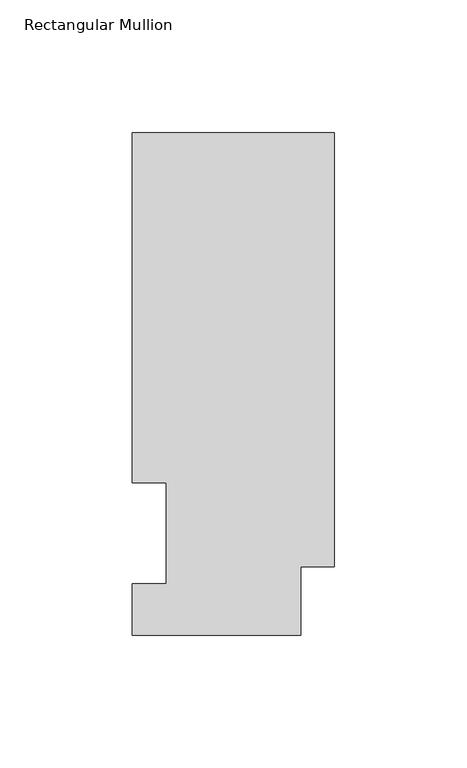
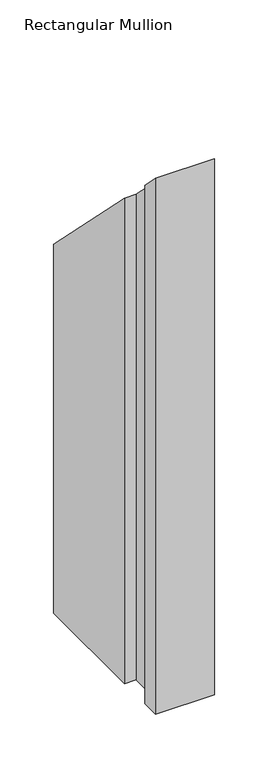
"""IFC4 building model written with IfcOpenShell, lengths in millimetres: member geometry, Rectangular Mullion."""

import ifcopenshell
import ifcopenshell.guid

model = None  # the IFC model being written
_history = None  # IfcOwnerHistory: only IFC2X3 demands one
_inside = {}  # id of a spatial element -> (the spatial element, [elements in it])
_under = {}  # id of a project, library or spatial element -> (it, [spatial elements below it])
_declared = {}  # id of a project -> (the project, [libraries it declares])
_typed = {}  # id of a type object -> (the type object, [elements of that type])
_made_of = {}  # id of a material, layer set ... -> (it, [elements and type objects made of it])


def new_model(schema):
    """Start an empty IFC model of exactly this schema.

    Asked for "IFC4X3", IfcOpenShell would pick the latest addendum, in which some entities
    have other attributes; the version numbers below select the first issue.
    IFC2X3 requires an IfcOwnerHistory on every rooted entity: one is made here for all.
    """
    global model, _history
    if schema == "IFC4X3":
        model = ifcopenshell.file(schema_version=(4, 3, 0, 0))
    else:
        model = ifcopenshell.file(schema=schema)
    _inside.clear()
    _under.clear()
    _declared.clear()
    _typed.clear()
    _made_of.clear()
    _history = None
    if model.schema == "IFC2X3":
        org = make("IfcOrganization", Name="unknown")
        user = make(
            "IfcPersonAndOrganization",
            ThePerson=make("IfcPerson", FamilyName="unknown"),
            TheOrganization=org,
        )
        app = make(
            "IfcApplication",
            ApplicationDeveloper=org,
            Version="unknown",
            ApplicationFullName="unknown",
            ApplicationIdentifier="unknown",
        )
        _history = make(
            "IfcOwnerHistory",
            OwningUser=user,
            OwningApplication=app,
            ChangeAction="ADDED",
            CreationDate=0,
        )
    return model


def make(cls, **values):
    """One entity of the class cls with the attributes given. An attribute that is None is left unset."""
    return model.create_entity(
        cls, **{name: value for name, value in values.items() if value is not None}
    )


def rooted(cls, **values):
    """An entity with a GlobalId (a new one), such as an element, a storey or a relation."""
    return make(cls, GlobalId=ifcopenshell.guid.new(), OwnerHistory=_history, **values)


def si_unit(unit_type, name, prefix=None):
    """IfcSIUnit, for example si_unit("LENGTHUNIT", "METRE", prefix="MILLI")."""
    return make("IfcSIUnit", UnitType=unit_type, Prefix=prefix, Name=name)


def assignment(units):
    """IfcUnitAssignment: the units of a project."""
    return None if units is None else make("IfcUnitAssignment", Units=units)


def point(xyz):
    """IfcCartesianPoint."""
    return None if xyz is None else make("IfcCartesianPoint", Coordinates=xyz)


def direction(xyz):
    """IfcDirection."""
    return None if xyz is None else make("IfcDirection", DirectionRatios=xyz)


def frame(location, z_axis=None, x_axis=None):
    """IfcAxis2Placement3D, a coordinate frame: its origin and axes. An axis left out is left unset."""
    return make(
        "IfcAxis2Placement3D",
        Location=point(location),
        Axis=direction(z_axis),
        RefDirection=direction(x_axis),
    )


def origin():
    """The frame at (0, 0, 0) with its axes left unset."""
    return frame((0.0, 0.0, 0.0))


def place(relative_to, where):
    """IfcLocalPlacement: puts the frame where relative to a parent placement (None: the world)."""
    return make(
        "IfcLocalPlacement", PlacementRelTo=relative_to, RelativePlacement=where
    )


def context(
    kind, dimensions, precision=None, world=None, true_north=None, identifier=None
):
    """IfcGeometricRepresentationContext, for example the 3D "Model" context."""
    return make(
        "IfcGeometricRepresentationContext",
        ContextIdentifier=identifier,
        ContextType=kind,
        CoordinateSpaceDimension=dimensions,
        Precision=precision,
        WorldCoordinateSystem=world,
        TrueNorth=true_north,
    )


def project(units=None, contexts=None):
    """IfcProject with its units and contexts."""
    return rooted(
        "IfcProject",
        Name="project",
        RepresentationContexts=contexts,
        UnitsInContext=assignment(units),
    )


def spatial(cls, under=None, at=None, **own):
    """A site, building, storey or space (cls), placed at a placement, below another one or the project."""
    s = rooted(cls, ObjectPlacement=at, **own)
    if under is not None:
        _under.setdefault(under.id(), (under, []))[1].append(s)
    return s


def faces_of(points, faces, orient=None, outer=None):
    """IfcFace entities. A face is a list of loops; a loop is a list of indices into points, from 0.

    orient and outer hold one flag for each loop. By default every Orientation is true, the
    first loop of a face is its IfcFaceOuterBound and the others are IfcFaceBound.
    """
    made = []
    for i, loops in enumerate(faces):
        bounds = []
        for j, loop in enumerate(loops):
            is_outer = j == 0 if outer is None else outer[i][j]
            bounds.append(
                make(
                    "IfcFaceOuterBound" if is_outer else "IfcFaceBound",
                    Bound=make("IfcPolyLoop", Polygon=[points[k] for k in loop]),
                    Orientation=True if orient is None else orient[i][j],
                )
            )
        made.append(make("IfcFace", Bounds=bounds))
    return made


def faceted_brep(points, faces, orient=None, outer=None, voids=None):
    """IfcFacetedBrep: a solid bounded by flat faces; with voids (closed shells), ...WithVoids."""
    shared = [point(p) for p in points]
    hull = make("IfcClosedShell", CfsFaces=faces_of(shared, faces, orient, outer))
    if voids is None:
        return make("IfcFacetedBrep", Outer=hull)
    return make(
        "IfcFacetedBrepWithVoids",
        Outer=hull,
        Voids=[
            make(cls, CfsFaces=faces_of(shared, fs, o, b)) for cls, fs, o, b in voids
        ],
    )


def shape(context_of_items, identifier, shape_type, items):
    """IfcShapeRepresentation: the items that make up one representation, for example the "Body"."""
    return make(
        "IfcShapeRepresentation",
        ContextOfItems=context_of_items,
        RepresentationIdentifier=identifier,
        RepresentationType=shape_type,
        Items=items,
    )


def source(mapping_origin, context_of_items, identifier, shape_type, items):
    """IfcRepresentationMap: a shape defined once, which mapped items show again and again."""
    return make(
        "IfcRepresentationMap",
        MappingOrigin=mapping_origin,
        MappedRepresentation=shape(context_of_items, identifier, shape_type, items),
    )


def transform(
    local_origin,
    x_axis=None,
    y_axis=None,
    z_axis=None,
    scale=None,
    scale2=None,
    scale3=None,
    uniform=True,
):
    """IfcCartesianTransformationOperator3D, or its non-uniform kind. x_axis, y_axis, z_axis: its Axis1, 2, 3."""
    if uniform:
        return make(
            "IfcCartesianTransformationOperator3D",
            Axis1=direction(x_axis),
            Axis2=direction(y_axis),
            LocalOrigin=point(local_origin),
            Scale=scale,
            Axis3=direction(z_axis),
        )
    return make(
        "IfcCartesianTransformationOperator3DnonUniform",
        Axis1=direction(x_axis),
        Axis2=direction(y_axis),
        LocalOrigin=point(local_origin),
        Scale=scale,
        Axis3=direction(z_axis),
        Scale2=scale2,
        Scale3=scale3,
    )


def mapped(mapping_source, mapping_target):
    """IfcMappedItem: shows the shape of a source again, moved by a transform."""
    return make(
        "IfcMappedItem", MappingSource=mapping_source, MappingTarget=mapping_target
    )


def made_of(thing, what):
    """Note that an element or type object is made of a material, layer set ...; save() writes the relation."""
    if what is not None:
        _made_of.setdefault(what.id(), (what, []))[1].append(thing)
    return thing


def element(
    cls,
    number,
    at=None,
    inside=None,
    cuts=None,
    type_object=None,
    material=None,
    context=None,
    identifier="Body",
    shape_type=None,
    held_by="IfcProductDefinitionShape",
    body=None,
    shapes=None,
    **own,
):
    """One element of the class cls, such as IfcWall. Its Tag is "e" and its number.

    at: its placement. inside: the storey or other place that contains it. cuts: it is an
    opening in that element (IfcRelVoidsElement). A single representation is given by context,
    identifier, shape_type and body (its items); several are given by shapes. held_by: the class
    of the entity that holds the representations. save() writes the other relations.
    """
    e = rooted(cls, Tag="e%d" % number, ObjectPlacement=at, **own)
    if body is not None:
        shapes = [shape(context, identifier, shape_type, body)]
    if shapes is not None:
        e.Representation = make(held_by, Representations=shapes)
    if inside is not None:
        _inside.setdefault(inside.id(), (inside, []))[1].append(e)
    if cuts is not None:
        rooted(
            "IfcRelVoidsElement", RelatingBuildingElement=cuts, RelatedOpeningElement=e
        )
    if type_object is not None:
        _typed.setdefault(type_object.id(), (type_object, []))[1].append(e)
    return made_of(e, material)


def aggregate(whole, parts):
    """IfcRelAggregates: a whole, such as a stair, and the parts it consists of."""
    return rooted("IfcRelAggregates", RelatingObject=whole, RelatedObjects=parts)


def save(model, path):
    """Write the relations noted so far, then the file.

    IfcRelAggregates (storeys below a building ...), IfcRelContainedInSpatialStructure (elements
    in a storey), IfcRelDefinesByType, IfcRelAssociatesMaterial and IfcRelDeclares: one each for
    every whole, place, type object, material and project.
    """
    for whole, parts in _under.values():
        aggregate(whole, parts)
    for where, things in _inside.values():
        rooted(
            "IfcRelContainedInSpatialStructure",
            RelatedElements=things,
            RelatingStructure=where,
        )
    for kind, things in _typed.values():
        rooted("IfcRelDefinesByType", RelatedObjects=things, RelatingType=kind)
    for what, things in _made_of.values():
        rooted("IfcRelAssociatesMaterial", RelatedObjects=things, RelatingMaterial=what)
    for by, libraries in _declared.values():
        rooted("IfcRelDeclares", RelatingContext=by, RelatedDefinitions=libraries)
    model.write(path)


def rectangular_mullion_1d97308c(model_context):
    return source(origin(), model_context, "Body", "Brep", [
        faceted_brep([(-76.2, 189.8022937, -609.6), (0.0, 189.8022938, -609.6), (0.0, 25.8955957, -609.6), (-12.7, 25.8955957, -609.6), (-12.7, 0.0134938, -609.6), (-76.2, 0.0134938, -609.6), (-76.2, 19.5460938, -609.6), (-63.5, 19.5460938, -609.6), (-63.5, 57.6460937, -609.6), (-76.2, 57.6460937, -609.6), (-76.2, 57.6460937, -57.6460937), (-76.2, 189.8022937, -189.8022937), (-63.5, 57.6460937, -57.6460937), (-63.5, 19.5460938, -19.5460938), (-76.2, 19.5460938, -19.5460938), (-76.2, 0.0134938, -0.0134938), (-12.7, 0.0134938, -0.0134938), (-12.7, 25.8955957, -25.8955957), (0.0, 25.8955957, -25.8955957), (0.0, 189.8022938, -189.8022937)], [[[0, 1, 2, 3, 4, 5, 6, 7, 8, 9]], [[10, 11, 0, 9]], [[12, 10, 9, 8]], [[13, 12, 8, 7]], [[14, 13, 7, 6]], [[15, 14, 6, 5]], [[16, 15, 5, 4]], [[17, 16, 4, 3]], [[18, 17, 3, 2]], [[19, 18, 2, 1]], [[11, 19, 1, 0]], [[11, 10, 12, 13, 14, 15, 16, 17, 18, 19]]]),
    ])


if __name__ == "__main__":
    model = new_model("IFC4")
    model_context = context("Model", 3, world=origin())
    ifc_project = project(units=[si_unit("LENGTHUNIT", "METRE", prefix="MILLI")], contexts=[model_context])
    site = spatial("IfcSite", under=ifc_project)
    building = spatial("IfcBuilding", under=site)
    placement = place(None, origin())
    rectangular_mullion_shape = rectangular_mullion_1d97308c(model_context)
    element("IfcMember", 1, ObjectType="Rectangular Mullion", at=placement, inside=building, context=model_context, shape_type="MappedRepresentation", body=[
        mapped(rectangular_mullion_shape, transform((0.0, 0.0, 0.0), x_axis=(1.0, 0.0, 0.0), y_axis=(0.0, 1.0, 0.0), z_axis=(0.0, 0.0, 1.0))),
    ])
    save(model, "model.ifc")
